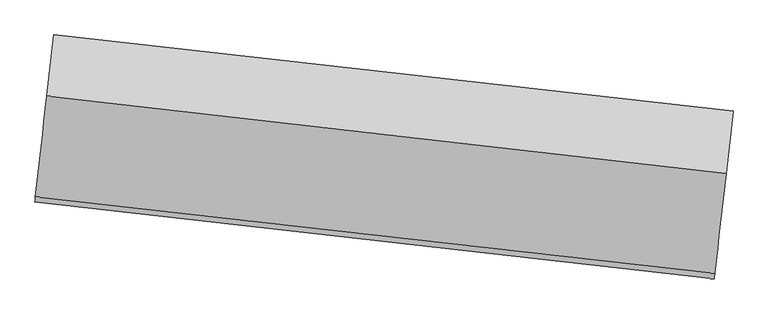
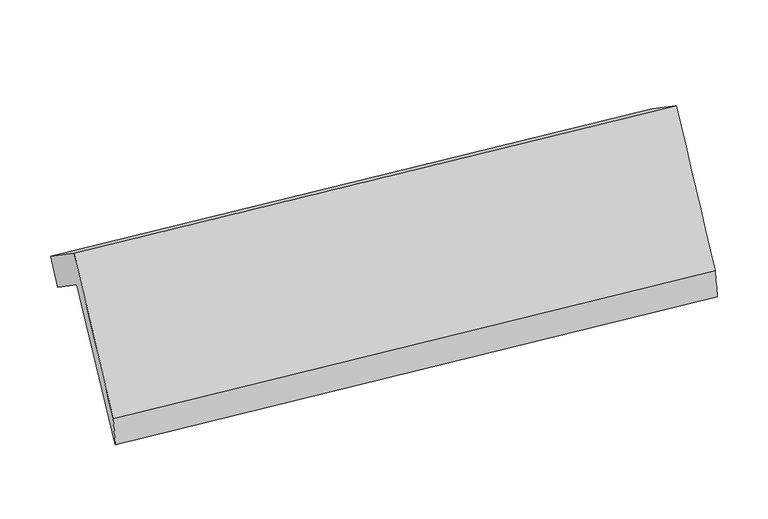
"""IFC4 building model written with IfcOpenShell, lengths in millimetres: proxy geometry."""

from ifc_helpers import new_model, si_unit, frame, origin, place, context, project, spatial, source, transform, mapped, element, save
from ifc_brep_helpers import plane_surface, spline_surface, advanced_brep


def generic_models_6c8fa19a(model_context):
    return source(origin(), model_context, "Body", "AdvancedBrep", [
        advanced_brep(
        [(-6057.6326079, -1028.7943194, 2342.1358683), (-6005.8789686, -570.9245317, 2016.2967569), (413.5303328, -1291.993371, 1978.59926), (360.843701, -1758.1174391, 2310.3124593), (-6163.8771837, -1971.1164622, 1030.013307), (254.6483327, -2699.998039, 1003.0725606), (-6158.7215721, -1925.1257986, 1314.4936547), (260.5501393, -2647.4057108, 1282.8548903), (-6051.2174114, -971.5798439, 2685.7977494), (367.2404304, -1701.0656292, 2654.6892367), (-5985.5786493, -390.8669424, 2272.5383886), (433.8622946, -1111.6551229, 2235.2402999)],
        [
            (0, 1),
            (1, 2),
            (2, 3),
            (3, 0),
            (4, 0),
            (3, 5),
            (5, 4),
            (6, 4),
            (5, 7),
            (7, 6),
            (8, 6),
            (7, 9),
            (9, 8),
            (10, 8),
            (9, 11),
            (11, 10),
            (1, 10),
            (11, 2),
        ],
        [
            plane_surface(frame((-6031.7557882, -799.8594256, 2179.2163126), z_axis=(-0.06918227504568554, -0.5732188020950607, -0.8164765873827656), x_axis=(0.09170437547478842, 0.8113180721707773, -0.5773675547585545))),
            spline_surface(1, 1, [[(-6163.8771837, -1971.1164622, 1030.013307), (254.6483327, -2699.998039, 1003.0725606)], [(-6057.6326079, -1028.7943194, 2342.1358683), (360.843701, -1758.1174391, 2310.3124593)]], [2, 2], [2, 2], [0.0, 1.0], [0.0, 1.0]),
            spline_surface(1, 1, [[(-6158.7215721, -1925.1257986, 1314.4936547), (260.5501393, -2647.4057108, 1282.8548903)], [(-6163.8771837, -1971.1164622, 1030.013307), (254.6483327, -2699.998039, 1003.0725606)]], [2, 2], [2, 2], [0.0, 1.0], [0.0, 1.0]),
            spline_surface(1, 1, [[(-6051.2174114, -971.5798439, 2685.7977494), (367.2404304, -1701.0656292, 2654.6892367)], [(-6158.7215721, -1925.1257986, 1314.4936547), (260.5501393, -2647.4057108, 1282.8548903)]], [2, 2], [2, 2], [0.0, 1.0], [0.0, 1.0]),
            plane_surface(frame((-6018.3980303, -681.2233932, 2479.168069), z_axis=(0.06910705047273122, 0.5732274951269879, 0.8164768547885473), x_axis=(-0.09170437547478846, -0.8113180721707778, 0.5773675547585537))),
            plane_surface(frame((-5995.7288089, -480.8957371, 2144.4175727), z_axis=(0.0877908069420944, 0.8117536821792939, -0.5773636061311919), x_axis=(0.06468462136682986, 0.5737326999584239, 0.8164843469148978))),
            plane_surface(frame((348.4458718, -1868.372552, 1910.7947845), z_axis=(0.9936831523566338, -0.11222198878778475, 0.00013399663271084633), x_axis=(-0.06388672439963682, -0.5666735681881839, -0.8214618393829117))),
            plane_surface(frame((-6070.4843988, -1143.067983, 1943.5459541), z_axis=(-0.9936831523566305, 0.11222198878781235, -0.0001339966327300393), x_axis=(-0.09170437547478838, -0.811318072170778, 0.5773675547585535))),
        ],
        [
            (0, [[1, 2, 3, 4]]),
            (1, [[5, -4, 6, 7]]),
            (2, [[8, -7, 9, 10]]),
            (3, [[11, -10, 12, 13]]),
            (4, [[14, -13, 15, 16]]),
            (5, [[17, -16, 18, -2]]),
            (6, [[-12, -9, -6, -3, -18, -15]]),
            (7, [[-1, -5, -8, -11, -14, -17]]),
        ],
    ),
    ])


if __name__ == "__main__":
    model = new_model("IFC4")
    model_context = context("Model", 3, world=origin())
    ifc_project = project(units=[si_unit("LENGTHUNIT", "METRE", prefix="MILLI")], contexts=[model_context])
    site = spatial("IfcSite", under=ifc_project)
    building = spatial("IfcBuilding", under=site)
    placement = place(None, origin())
    generic_models_shape = generic_models_6c8fa19a(model_context)
    element("IfcBuildingElementProxy", 1, Name="Generic Models", at=placement, inside=building, context=model_context, shape_type="MappedRepresentation", body=[
        mapped(generic_models_shape, transform((0.0, 0.0, 0.0), x_axis=(1.0, 0.0, 0.0), y_axis=(0.0, 1.0, 0.0), z_axis=(0.0, 0.0, 1.0))),
    ])
    save(model, "model.ifc")
